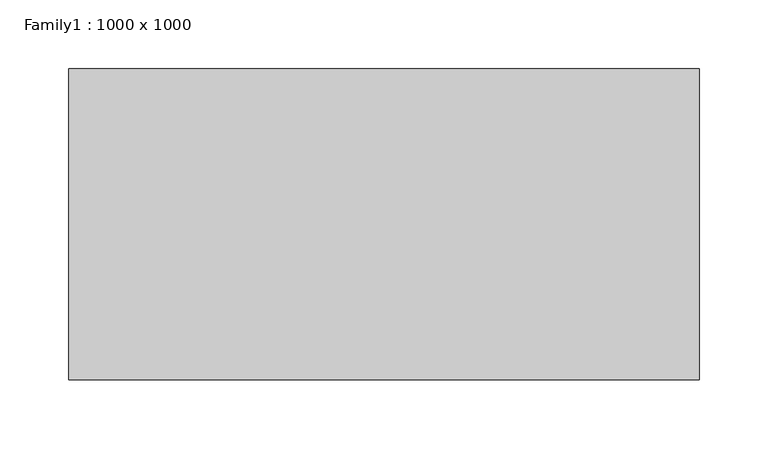
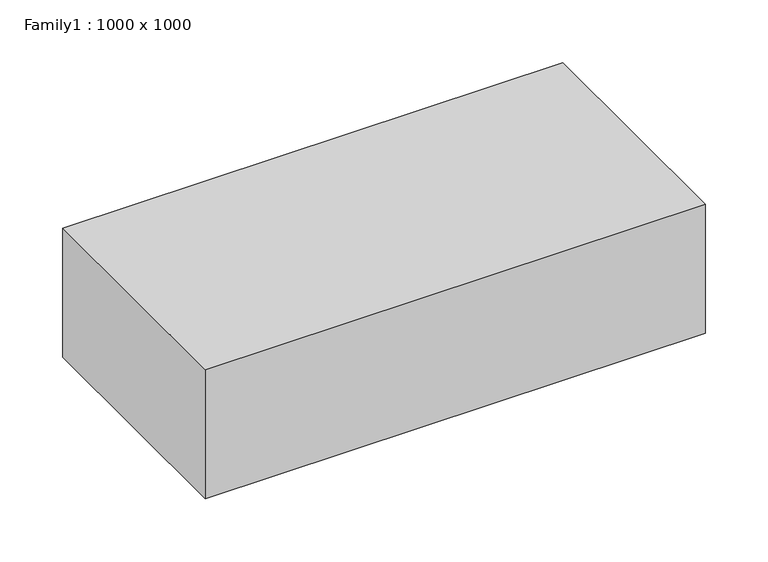
"""IFC4 building model written with IfcOpenShell, lengths in millimetres: proxy geometry, Family1 : 1000 x 1000."""

from ifc_helpers import new_model, si_unit, frame, origin, place, context, project, spatial, polyline, outline, extrude, source, transform, mapped, element, save


def family1_1000_x_1000_a71a3c23(model_context):
    return source(origin(), model_context, "Body", "SweptSolid", [
        extrude(outline(polyline([(229.2055195, 113.0815179), (229.2055195, -113.0815179), (-229.2055195, -113.0815179), (-229.2055195, 113.0815179), (229.2055195, 113.0815179)])), frame((0.0, 0.0, -25.0), z_axis=(0.0, 0.0, 1.0), x_axis=(1.0, 0.0, 0.0)), (0.0, 0.0, 1.0), 125.0),
    ])


if __name__ == "__main__":
    model = new_model("IFC4")
    model_context = context("Model", 3, world=origin())
    ifc_project = project(units=[si_unit("LENGTHUNIT", "METRE", prefix="MILLI")], contexts=[model_context])
    site = spatial("IfcSite", under=ifc_project)
    building = spatial("IfcBuilding", under=site)
    placement = place(None, origin())
    family1_1000_x_1000_shape = family1_1000_x_1000_a71a3c23(model_context)
    element("IfcBuildingElementProxy", 1, Name="Family1 : 1000 x 1000", ObjectType="Family1 : 1000 x 1000", at=placement, inside=building, context=model_context, shape_type="MappedRepresentation", body=[
        mapped(family1_1000_x_1000_shape, transform((0.0, 0.0, 0.0), x_axis=(1.0, 0.0, 0.0), y_axis=(0.0, 1.0, 0.0), z_axis=(0.0, 0.0, 1.0))),
    ])
    save(model, "model.ifc")
